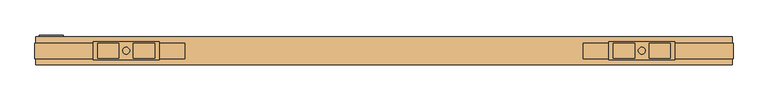
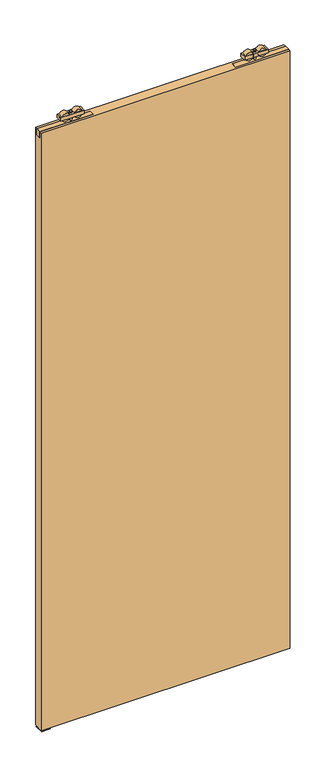
"""IFC4 building model written with IfcOpenShell, lengths in millimetres: door geometry."""

from ifc_helpers import new_model, si_unit, frame, origin, place, context, project, spatial, polyline, circle_curve, outline, extrude, source, transform, mapped, element, save
from ifc_brep_helpers import plane_surface, cylinder_surface, advanced_brep


def door_b0543a73(model_context):
    return source(origin(), model_context, "Body", "SolidModel", [
        advanced_brep(
        [(965.0, 5.75, 2579.5), (870.0, 5.75, 2579.5), (870.0, -20.25, 2579.5), (965.0, -20.25, 2579.5), (907.072332, -17.9531798, 2579.5), (876.78306, -17.9531798, 2579.5), (876.78306, 3.4531798, 2579.5), (907.072332, 3.4531798, 2579.5), (958.21694, -17.9531798, 2579.5), (927.927668, -17.9531798, 2579.5), (927.927668, 3.4531798, 2579.5), (958.21694, 3.4531798, 2579.5), (922.45, -7.25, 2579.5), (912.55, -7.25, 2579.5), (965.0, 5.75, 2564.5), (965.0, -20.25, 2564.5), (870.0, -20.25, 2564.5), (870.0, 5.75, 2564.5), (876.78306, -17.9531798, 2564.5), (907.072332, -17.9531798, 2564.5), (907.072332, 3.4531798, 2564.5), (876.78306, 3.4531798, 2564.5), (927.927668, -17.9531798, 2564.5), (958.21694, -17.9531798, 2564.5), (958.21694, 3.4531798, 2564.5), (927.927668, 3.4531798, 2564.5), (912.55, -7.25, 2564.5), (922.45, -7.25, 2564.5), (912.55, -7.25, 2585.0), (922.45, -7.25, 2585.0), (912.55, -7.25, 2548.0), (922.45, -7.25, 2548.0)],
        [
            (0, 1),
            (1, 2),
            (2, 3),
            (3, 0),
            (4, 5),
            (5, 6),
            (6, 7),
            (7, 4),
            (8, 9),
            (9, 10),
            (10, 11),
            (11, 8),
            (12, 13, circle_curve(frame((917.5, -7.25, 2579.5), z_axis=(0.0, 0.0, -1.0), x_axis=(1.0, 0.0, 0.0)), 4.95)),
            (13, 12, circle_curve(frame((917.5, -7.25, 2579.5), z_axis=(0.0, 0.0, -1.0), x_axis=(1.0, 0.0, 0.0)), 4.95)),
            (14, 15),
            (15, 16),
            (16, 17),
            (17, 14),
            (18, 19),
            (19, 20),
            (20, 21),
            (21, 18),
            (22, 23),
            (23, 24),
            (24, 25),
            (25, 22),
            (26, 27, circle_curve(frame((917.5, -7.25, 2564.5), z_axis=(0.0, 0.0, 1.0), x_axis=(1.0, 0.0, 0.0)), 4.95)),
            (27, 26, circle_curve(frame((917.5, -7.25, 2564.5), z_axis=(0.0, 0.0, 1.0), x_axis=(1.0, 0.0, 0.0)), 4.95)),
            (0, 14),
            (17, 1),
            (16, 2),
            (15, 3),
            (18, 19, circle_curve(frame((891.927696, -17.9531798, 2572.0), z_axis=(0.0, -1.0, 0.0), x_axis=(1.0, 0.0, 0.0)), 16.9)),
            (4, 5, circle_curve(frame((891.927696, -17.9531798, 2572.0), z_axis=(0.0, -1.0, 0.0), x_axis=(1.0, 0.0, 0.0)), 16.9)),
            (6, 7, circle_curve(frame((891.927696, 3.4531798, 2572.0), z_axis=(0.0, 1.0, 0.0), x_axis=(1.0, 0.0, 0.0)), 16.9)),
            (20, 21, circle_curve(frame((891.927696, 3.4531798, 2572.0), z_axis=(0.0, 1.0, 0.0), x_axis=(1.0, 0.0, 0.0)), 16.9)),
            (8, 9, circle_curve(frame((943.072304, -17.9531798, 2572.0), z_axis=(0.0, -1.0, 0.0), x_axis=(-1.0, 0.0, 0.0)), 16.9)),
            (22, 23, circle_curve(frame((943.072304, -17.9531798, 2572.0), z_axis=(0.0, -1.0, 0.0), x_axis=(-1.0, 0.0, 0.0)), 16.9)),
            (24, 25, circle_curve(frame((943.072304, 3.4531798, 2572.0), z_axis=(0.0, 1.0, 0.0), x_axis=(-1.0, 0.0, 0.0)), 16.9)),
            (10, 11, circle_curve(frame((943.072304, 3.4531798, 2572.0), z_axis=(0.0, 1.0, 0.0), x_axis=(-1.0, 0.0, 0.0)), 16.9)),
            (28, 29, circle_curve(frame((917.5, -7.25, 2585.0), z_axis=(0.0, 0.0, 1.0), x_axis=(1.0, 0.0, 0.0)), 4.95)),
            (29, 28, circle_curve(frame((917.5, -7.25, 2585.0), z_axis=(0.0, 0.0, 1.0), x_axis=(1.0, 0.0, 0.0)), 4.95)),
            (30, 31, circle_curve(frame((917.5, -7.25, 2548.0), z_axis=(0.0, 0.0, -1.0), x_axis=(1.0, 0.0, 0.0)), 4.95)),
            (31, 30, circle_curve(frame((917.5, -7.25, 2548.0), z_axis=(0.0, 0.0, -1.0), x_axis=(1.0, 0.0, 0.0)), 4.95)),
            (28, 13),
            (12, 29),
            (31, 27),
            (26, 30),
        ],
        [
            plane_surface(frame((870.0, 5.75, 2579.5), z_axis=(0.0, 0.0, 1.0), x_axis=(-1.0, 0.0, 0.0))),
            plane_surface(frame((870.0, 5.75, 2564.5), z_axis=(0.0, 0.0, -1.0), x_axis=(1.0, 0.0, 0.0))),
            plane_surface(frame((965.0, 5.75, 2579.5), z_axis=(0.0, 1.0, 0.0), x_axis=(0.0, 0.0, -1.0))),
            plane_surface(frame((870.0, 5.75, 2579.5), z_axis=(-1.0, 0.0, 0.0), x_axis=(0.0, 0.0, -1.0))),
            plane_surface(frame((870.0, -20.25, 2579.5), z_axis=(0.0, -1.0, 0.0), x_axis=(0.0, 0.0, -1.0))),
            plane_surface(frame((965.0, -20.25, 2579.5), z_axis=(1.0, 0.0, 0.0), x_axis=(0.0, 0.0, -1.0))),
            plane_surface(frame((908.827696, -17.9531798, 2572.0), z_axis=(0.0, -1.0, 0.0), x_axis=(0.0, 0.0, 1.0))),
            plane_surface(frame((908.827696, 3.4531798, 2572.0), z_axis=(0.0, 1.0, 0.0), x_axis=(0.0, 0.0, -1.0))),
            cylinder_surface(frame((891.927696, 3.4531798, 2572.0), z_axis=(0.0, -1.0, 0.0), x_axis=(1.0, 0.0, 0.0)), 16.9),
            plane_surface(frame((926.172304, -17.9531798, 2572.0), z_axis=(0.0, -1.0, 0.0), x_axis=(0.0, 0.0, -1.0))),
            plane_surface(frame((926.172304, 3.4531798, 2572.0), z_axis=(0.0, 1.0, 0.0), x_axis=(0.0, 0.0, 1.0))),
            cylinder_surface(frame((943.072304, 3.4531798, 2572.0), z_axis=(0.0, -1.0, 0.0), x_axis=(-1.0, 0.0, 0.0)), 16.9),
            plane_surface(frame((922.45, -7.25, 2585.0), z_axis=(0.0, 0.0, 1.0), x_axis=(0.0, 1.0, 0.0))),
            plane_surface(frame((922.45, -7.25, 2548.0), z_axis=(0.0, 0.0, -1.0), x_axis=(0.0, -1.0, 0.0))),
            cylinder_surface(frame((917.5, -7.25, 2548.0), z_axis=(0.0, 0.0, 1.0), x_axis=(1.0, 0.0, 0.0)), 4.95),
        ],
        [
            (0, [[1, 2, 3, 4], [5, 6, 7, 8], [9, 10, 11, 12], [13, 14]]),
            (1, [[15, 16, 17, 18], [19, 20, 21, 22], [23, 24, 25, 26], [27, 28]]),
            (2, [[-1, 29, -18, 30]]),
            (3, [[-2, -30, -17, 31]]),
            (4, [[-3, -31, -16, 32]]),
            (5, [[-4, -32, -15, -29]]),
            (6, [[33, -19]]),
            (6, [[34, -5]]),
            (7, [[35, -7]]),
            (7, [[36, -21]]),
            (8, [[-33, -22, -36, -20]]),
            (8, [[-34, -8, -35, -6]]),
            (9, [[37, -9]]),
            (9, [[38, -23]]),
            (10, [[39, -25]]),
            (10, [[40, -11]]),
            (11, [[-38, -26, -39, -24]]),
            (11, [[-37, -12, -40, -10]]),
            (12, [[41, 42]]),
            (13, [[43, 44]]),
            (14, [[-41, 45, -13, 46]]),
            (14, [[-44, 47, -27, 48]]),
            (14, [[-42, -46, -14, -45]]),
            (14, [[-43, -48, -28, -47]]),
        ],
    ),
        extrude(outline(polyline([(1048.5, -18.5074263), (833.5, -18.5074263), (833.5, 3.4925737), (1048.5, 3.4925737), (1048.5, -18.5074263)])), frame((0.0, 0.0, 2523.2), z_axis=(0.0, 0.0, 1.0), x_axis=(1.0, 0.0, 0.0)), (0.0, 0.0, 1.0), 24.8),
        advanced_brep(
        [(130.0, 5.75, 2579.5), (130.0, -20.25, 2579.5), (225.0, -20.25, 2579.5), (225.0, 5.75, 2579.5), (187.927668, -17.9531798, 2579.5), (187.927668, 3.4531798, 2579.5), (218.21694, 3.4531798, 2579.5), (218.21694, -17.9531798, 2579.5), (136.78306, -17.9531798, 2579.5), (136.78306, 3.4531798, 2579.5), (167.072332, 3.4531798, 2579.5), (167.072332, -17.9531798, 2579.5), (172.55, -7.25, 2579.5), (182.45, -7.25, 2579.5), (130.0, 5.75, 2564.5), (225.0, 5.75, 2564.5), (225.0, -20.25, 2564.5), (130.0, -20.25, 2564.5), (218.21694, -17.9531798, 2564.5), (218.21694, 3.4531798, 2564.5), (187.927668, 3.4531798, 2564.5), (187.927668, -17.9531798, 2564.5), (167.072332, -17.9531798, 2564.5), (167.072332, 3.4531798, 2564.5), (136.78306, 3.4531798, 2564.5), (136.78306, -17.9531798, 2564.5), (182.45, -7.25, 2564.5), (172.55, -7.25, 2564.5), (182.45, -7.25, 2585.0), (172.55, -7.25, 2585.0), (182.45, -7.25, 2548.0), (172.55, -7.25, 2548.0)],
        [
            (0, 1),
            (1, 2),
            (2, 3),
            (3, 0),
            (4, 5),
            (5, 6),
            (6, 7),
            (7, 4),
            (8, 9),
            (9, 10),
            (10, 11),
            (11, 8),
            (12, 13, circle_curve(frame((177.5, -7.25, 2579.5), z_axis=(0.0, 0.0, -1.0), x_axis=(-1.0, 0.0, 0.0)), 4.95)),
            (13, 12, circle_curve(frame((177.5, -7.25, 2579.5), z_axis=(0.0, 0.0, -1.0), x_axis=(-1.0, 0.0, 0.0)), 4.95)),
            (14, 15),
            (15, 16),
            (16, 17),
            (17, 14),
            (18, 19),
            (19, 20),
            (20, 21),
            (21, 18),
            (22, 23),
            (23, 24),
            (24, 25),
            (25, 22),
            (26, 27, circle_curve(frame((177.5, -7.25, 2564.5), z_axis=(0.0, 0.0, 1.0), x_axis=(-1.0, 0.0, 0.0)), 4.95)),
            (27, 26, circle_curve(frame((177.5, -7.25, 2564.5), z_axis=(0.0, 0.0, 1.0), x_axis=(-1.0, 0.0, 0.0)), 4.95)),
            (3, 15),
            (14, 0),
            (2, 16),
            (1, 17),
            (7, 4, circle_curve(frame((203.072304, -17.9531798, 2572.0), z_axis=(0.0, -1.0, 0.0), x_axis=(-1.0, 0.0, 0.0)), 16.9)),
            (21, 18, circle_curve(frame((203.072304, -17.9531798, 2572.0), z_axis=(0.0, -1.0, 0.0), x_axis=(-1.0, 0.0, 0.0)), 16.9)),
            (5, 6, circle_curve(frame((203.072304, 3.4531798, 2572.0), z_axis=(0.0, 1.0, 0.0), x_axis=(-1.0, 0.0, 0.0)), 16.9)),
            (19, 20, circle_curve(frame((203.072304, 3.4531798, 2572.0), z_axis=(0.0, 1.0, 0.0), x_axis=(-1.0, 0.0, 0.0)), 16.9)),
            (11, 8, circle_curve(frame((151.927696, -17.9531798, 2572.0), z_axis=(0.0, -1.0, 0.0), x_axis=(1.0, 0.0, 0.0)), 16.9)),
            (25, 22, circle_curve(frame((151.927696, -17.9531798, 2572.0), z_axis=(0.0, -1.0, 0.0), x_axis=(1.0, 0.0, 0.0)), 16.9)),
            (9, 10, circle_curve(frame((151.927696, 3.4531798, 2572.0), z_axis=(0.0, 1.0, 0.0), x_axis=(1.0, 0.0, 0.0)), 16.9)),
            (23, 24, circle_curve(frame((151.927696, 3.4531798, 2572.0), z_axis=(0.0, 1.0, 0.0), x_axis=(1.0, 0.0, 0.0)), 16.9)),
            (28, 29, circle_curve(frame((177.5, -7.25, 2585.0), z_axis=(0.0, 0.0, 1.0), x_axis=(-1.0, 0.0, 0.0)), 4.95)),
            (29, 28, circle_curve(frame((177.5, -7.25, 2585.0), z_axis=(0.0, 0.0, 1.0), x_axis=(-1.0, 0.0, 0.0)), 4.95)),
            (30, 31, circle_curve(frame((177.5, -7.25, 2548.0), z_axis=(0.0, 0.0, -1.0), x_axis=(-1.0, 0.0, 0.0)), 4.95)),
            (31, 30, circle_curve(frame((177.5, -7.25, 2548.0), z_axis=(0.0, 0.0, -1.0), x_axis=(-1.0, 0.0, 0.0)), 4.95)),
            (30, 26),
            (27, 31),
            (29, 12),
            (13, 28),
        ],
        [
            plane_surface(frame((225.0, 5.75, 2579.5), z_axis=(0.0, 0.0, 1.0), x_axis=(1.0, 0.0, 0.0))),
            plane_surface(frame((225.0, 5.75, 2564.5), z_axis=(0.0, 0.0, -1.0), x_axis=(-1.0, 0.0, 0.0))),
            plane_surface(frame((130.0, 5.75, 2579.5), z_axis=(0.0, 1.0, 0.0), x_axis=(0.0, 0.0, -1.0))),
            plane_surface(frame((225.0, 5.75, 2579.5), z_axis=(1.0, 0.0, 0.0), x_axis=(0.0, 0.0, -1.0))),
            plane_surface(frame((225.0, -20.25, 2579.5), z_axis=(0.0, -1.0, 0.0), x_axis=(0.0, 0.0, -1.0))),
            plane_surface(frame((130.0, -20.25, 2579.5), z_axis=(-1.0, 0.0, 0.0), x_axis=(0.0, 0.0, -1.0))),
            plane_surface(frame((186.172304, -17.9531798, 2572.0), z_axis=(0.0, -1.0, 0.0), x_axis=(0.0, 0.0, 1.0))),
            plane_surface(frame((186.172304, 3.4531798, 2572.0), z_axis=(0.0, 1.0, 0.0), x_axis=(0.0, 0.0, -1.0))),
            cylinder_surface(frame((203.072304, 3.4531798, 2572.0), z_axis=(0.0, -1.0, 0.0), x_axis=(-1.0, 0.0, 0.0)), 16.9),
            plane_surface(frame((168.827696, -17.9531798, 2572.0), z_axis=(0.0, -1.0, 0.0), x_axis=(0.0, 0.0, -1.0))),
            plane_surface(frame((168.827696, 3.4531798, 2572.0), z_axis=(0.0, 1.0, 0.0), x_axis=(0.0, 0.0, 1.0))),
            cylinder_surface(frame((151.927696, 3.4531798, 2572.0), z_axis=(0.0, -1.0, 0.0), x_axis=(1.0, 0.0, 0.0)), 16.9),
            plane_surface(frame((172.55, -7.25, 2585.0), z_axis=(0.0, 0.0, 1.0), x_axis=(0.0, 1.0, 0.0))),
            plane_surface(frame((172.55, -7.25, 2548.0), z_axis=(0.0, 0.0, -1.0), x_axis=(0.0, -1.0, 0.0))),
            cylinder_surface(frame((177.5, -7.25, 2548.0), z_axis=(0.0, 0.0, 1.0), x_axis=(-1.0, 0.0, 0.0)), 4.95),
        ],
        [
            (0, [[1, 2, 3, 4], [5, 6, 7, 8], [9, 10, 11, 12], [13, 14]]),
            (1, [[15, 16, 17, 18], [19, 20, 21, 22], [23, 24, 25, 26], [27, 28]]),
            (2, [[29, -15, 30, -4]]),
            (3, [[31, -16, -29, -3]]),
            (4, [[32, -17, -31, -2]]),
            (5, [[-30, -18, -32, -1]]),
            (6, [[-8, 33]]),
            (6, [[-22, 34]]),
            (7, [[-6, 35]]),
            (7, [[-20, 36]]),
            (8, [[-21, -36, -19, -34]]),
            (8, [[-7, -35, -5, -33]]),
            (9, [[-12, 37]]),
            (9, [[-26, 38]]),
            (10, [[-10, 39]]),
            (10, [[-24, 40]]),
            (11, [[-25, -40, -23, -38]]),
            (11, [[-11, -39, -9, -37]]),
            (12, [[41, 42]]),
            (13, [[43, 44]]),
            (14, [[45, -28, 46, -43]]),
            (14, [[47, -14, 48, -42]]),
            (14, [[-48, -13, -47, -41]]),
            (14, [[-46, -27, -45, -44]]),
        ],
    ),
        extrude(outline(polyline([(46.5, -18.5074263), (46.5, 3.4925737), (261.5, 3.4925737), (261.5, -18.5074263), (46.5, -18.5074263)])), frame((0.0, 0.0, 2523.2), z_axis=(0.0, 0.0, 1.0), x_axis=(1.0, 0.0, 0.0)), (0.0, 0.0, 1.0), 24.8),
        extrude(outline(polyline([(47.5, 12.75), (1047.5, 12.75), (1047.5, -27.25), (47.5, -27.25), (47.5, 12.75)])), frame((0.0, 0.0, 10.0), z_axis=(0.0, 0.0, 1.0), x_axis=(1.0, 0.0, 0.0)), (0.0, 0.0, 1.0), 2538.0),
        extrude(outline(polyline([(15.3483682, 2.0), (15.3483682, 0.0), (-21.25, 0.0), (-21.25, 2.0), (-7.25, 2.0), (-7.25, 26.0), (1.6516318, 26.0), (1.6516318, 2.0), (15.3483682, 2.0)])), frame((52.5, 0.0, 0.0), z_axis=(1.0, 0.0, 0.0), x_axis=(0.0, 1.0, 0.0)), (0.0, 0.0, 1.0), 35.0),
    ])


if __name__ == "__main__":
    model = new_model("IFC4")
    model_context = context("Model", 3, world=origin())
    ifc_project = project(units=[si_unit("LENGTHUNIT", "METRE", prefix="MILLI")], contexts=[model_context])
    site = spatial("IfcSite", under=ifc_project)
    building = spatial("IfcBuilding", under=site)
    placement = place(None, origin())
    door_shape = door_b0543a73(model_context)
    element("IfcDoor", 1, at=placement, inside=building, context=model_context, shape_type="MappedRepresentation", body=[
        mapped(door_shape, transform((0.0, 0.0, 0.0), x_axis=(1.0, 0.0, 0.0), y_axis=(0.0, 1.0, 0.0), z_axis=(0.0, 0.0, 1.0))),
    ])
    save(model, "model.ifc")
